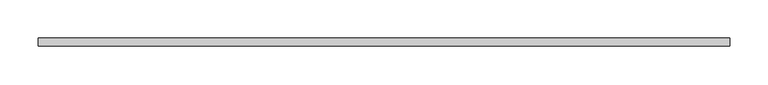
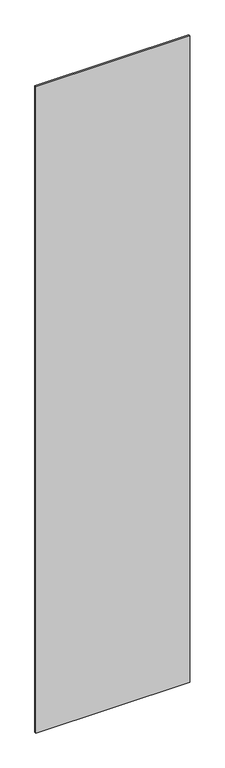
"""IFC4 building model written with IfcOpenShell, lengths in millimetres: plate geometry."""

from ifc_helpers import new_model, si_unit, origin, origin_with_axes, place, context, project, spatial, polyline, outline, extrude, source, transform, mapped, element, save


def plate_d1366ea1(model_context):
    return source(origin(), model_context, "Body", "SweptSolid", [
        extrude(outline(polyline([(450.0, -5.0), (-450.0, -5.0), (-450.0, 5.0), (450.0, 5.0), (450.0, -5.0)])), origin_with_axes(), (0.0, 0.0, 1.0), 4000.0),
    ])


if __name__ == "__main__":
    model = new_model("IFC4")
    model_context = context("Model", 3, world=origin())
    ifc_project = project(units=[si_unit("LENGTHUNIT", "METRE", prefix="MILLI")], contexts=[model_context])
    site = spatial("IfcSite", under=ifc_project)
    building = spatial("IfcBuilding", under=site)
    placement = place(None, origin())
    plate_shape = plate_d1366ea1(model_context)
    element("IfcPlate", 1, at=placement, inside=building, context=model_context, shape_type="MappedRepresentation", body=[
        mapped(plate_shape, transform((0.0, 0.0, 0.0), x_axis=(1.0, 0.0, 0.0), y_axis=(0.0, 1.0, 0.0), z_axis=(0.0, 0.0, 1.0))),
    ])
    save(model, "model.ifc")
